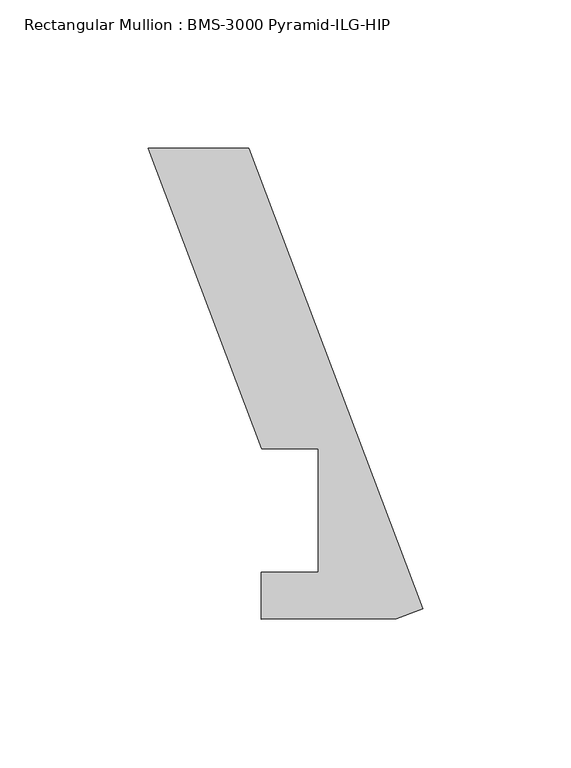
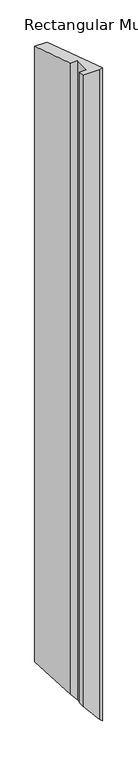
"""IFC4 building model written with IfcOpenShell, lengths in millimetres: member geometry, Rectangular Mullion : BMS-3000 Pyramid-ILG-HIP."""

from ifc_helpers import new_model, si_unit, origin, place, context, project, spatial, faceted_brep, source, transform, mapped, element, save


def rectangular_mullion_bms_3000_pyramid_ilg_hip_22931e79(model_context):
    return source(origin(), model_context, "Body", "Brep", [
        faceted_brep([(-92.7277404, 155.5739504, 0.0), (-58.7866398, 155.5739504, 0.0), (-58.7866398, 155.5739504, -1794.4777978), (-92.7277404, 155.5739504, -1755.2859906), (-54.3366963, 53.975, 0.0), (-54.3366963, 53.975, -1799.61615), (-35.2866963, 53.975, 0.0), (-35.2866963, 53.975, -1821.6131953), (-35.2866963, 12.3790627, 0.0), (-35.2866963, 12.3790627, -1821.6131953), (-54.4267253, 12.2855261, 0.0), (-54.4267253, 12.2855261, -1799.5121934), (-54.4267253, -3.5150841, 0.0), (-54.4267253, -3.5150841, -1799.5121934), (-8.9101044, -3.3672255, 0.0), (-8.9101044, -3.3672255, -1852.0702601), (0.0, -0.0003776, 0.0), (0.0, -0.0003776, -1862.3587624)], [[[0, 1, 2, 3]], [[4, 0, 3, 5]], [[6, 4, 5, 7]], [[8, 6, 7, 9]], [[10, 8, 9, 11]], [[12, 10, 11, 13]], [[14, 12, 13, 15]], [[16, 14, 15, 17]], [[1, 16, 17, 2]], [[1, 0, 4, 6, 8, 10, 12, 14, 16]], [[2, 17, 15, 13, 11, 9, 7, 5, 3]]]),
    ])


if __name__ == "__main__":
    model = new_model("IFC4")
    model_context = context("Model", 3, world=origin())
    ifc_project = project(units=[si_unit("LENGTHUNIT", "METRE", prefix="MILLI")], contexts=[model_context])
    site = spatial("IfcSite", under=ifc_project)
    building = spatial("IfcBuilding", under=site)
    placement = place(None, origin())
    rectangular_mullion_bms_3000_pyramid_ilg_hip_shape = rectangular_mullion_bms_3000_pyramid_ilg_hip_22931e79(model_context)
    element("IfcMember", 1, ObjectType="Rectangular Mullion : BMS-3000 Pyramid-ILG-HIP", at=placement, inside=building, context=model_context, shape_type="MappedRepresentation", body=[
        mapped(rectangular_mullion_bms_3000_pyramid_ilg_hip_shape, transform((0.0, 0.0, 0.0), x_axis=(1.0, 0.0, 0.0), y_axis=(0.0, 1.0, 0.0), z_axis=(0.0, 0.0, 1.0))),
    ])
    save(model, "model.ifc")
